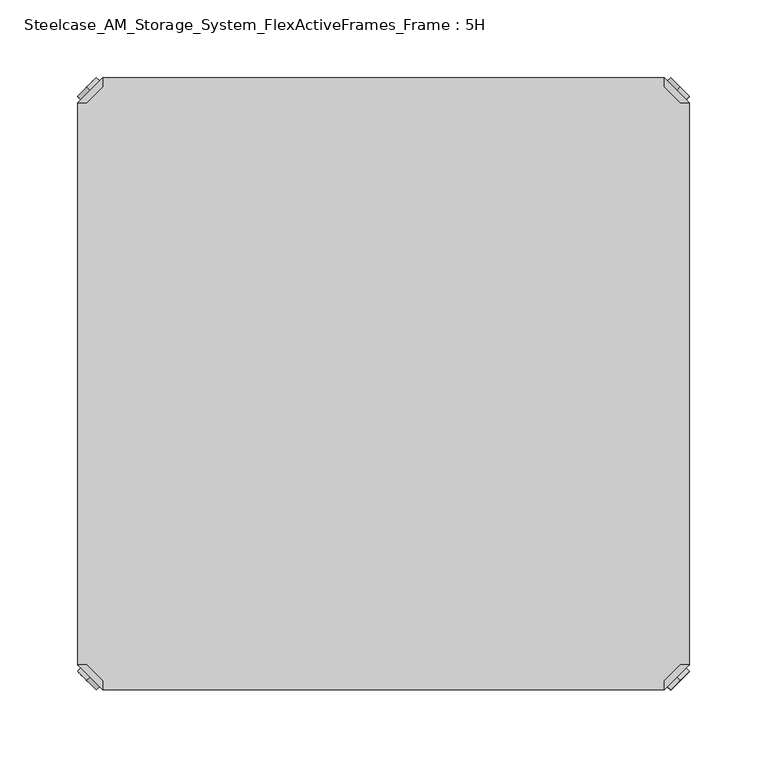
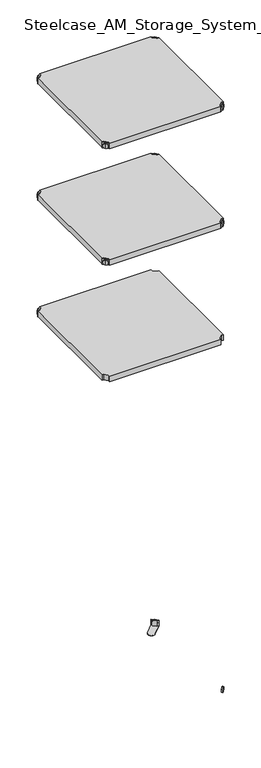
"""IFC4 building model written with IfcOpenShell, lengths in millimetres: furniture geometry, Steelcase_AM_Storage_System_FlexActiveFrames_Frame : 5H."""

from ifc_helpers import new_model, si_unit, frame, origin, place, context, project, spatial, polyline, circle_curve, outline, extrude, source, transform, mapped, element, save
from ifc_brep_helpers import plane_surface, cylinder_surface, advanced_brep


def steelcase_am_storage_system_flexactiveframes_frame_5h_2bd982bd(model_context):
    return source(origin(), model_context, "Body", "SolidModel", [
        advanced_brep(
        [(10.9601551, -10.9601551, 1298.5), (10.9601551, -10.9601551, 1315.5), (10.9601551, -10.9601551, 1307.0), (8.8388348, -8.8388348, 1298.5), (8.8388348, -8.8388348, 1315.5), (8.8388348, -8.8388348, 1307.0)],
        [
            (0, 1, circle_curve(frame((10.9601551, -10.9601551, 1307.0), z_axis=(0.7071067811865464, -0.7071067811865487, 0.0), x_axis=(0.0, 0.0, 1.0)), 8.5)),
            (1, 2),
            (2, 0),
            (1, 0, circle_curve(frame((10.9601551, -10.9601551, 1307.0), z_axis=(0.7071067811865464, -0.7071067811865487, 0.0), x_axis=(0.0, 0.0, 1.0)), 8.5)),
            (3, 4, circle_curve(frame((8.8388348, -8.8388348, 1307.0), z_axis=(0.7071067811865464, -0.7071067811865487, 0.0), x_axis=(0.0, 0.0, 1.0)), 8.5)),
            (4, 1),
            (0, 3),
            (4, 3, circle_curve(frame((8.8388348, -8.8388348, 1307.0), z_axis=(0.7071067811865464, -0.7071067811865487, 0.0), x_axis=(0.0, 0.0, 1.0)), 8.5)),
            (5, 4),
            (3, 5),
        ],
        [
            plane_surface(frame((10.9601551, -10.9601551, 1307.0), z_axis=(0.707106781186546, -0.7071067811865491, 0.0), x_axis=(0.0, 0.0, 1.0))),
            cylinder_surface(frame((8.8388348, -8.8388348, 1307.0), z_axis=(-0.7071067811865464, 0.7071067811865487, 0.0), x_axis=(0.0, 0.0, 1.0)), 8.5),
            plane_surface(frame((8.8388348, -8.8388348, 1307.0), z_axis=(-0.707106781186546, 0.7071067811865491, 0.0), x_axis=(0.0, 0.0, 1.0))),
        ],
        [
            (0, [[1, 2, 3]]),
            (0, [[4, -3, -2]]),
            (1, [[5, 6, -1, 7]]),
            (1, [[8, -7, -4, -6]]),
            (2, [[9, -5, 10]]),
            (2, [[-10, -8, -9]]),
        ],
    ),
        advanced_brep(
        [(18.9203102, -3.0, 1317.0), (3.0, -18.9203102, 1317.0), (8.6568542, -18.9203102, 1317.0), (18.9203102, -8.6568542, 1317.0), (18.9203102, -3.0, 1298.0), (18.9203102, -3.0, 1297.0), (3.0, -18.9203102, 1297.0), (3.0, -18.9203102, 1298.0), (8.6568542, -18.9203102, 1298.0), (18.9203102, -8.6568542, 1298.0), (31.8093975, -47.7297077, 1298.0), (47.7297077, -31.8093975, 1298.0), (47.7297077, -31.8093975, 1297.0), (31.8093975, -47.7297077, 1297.0)],
        [
            (0, 1),
            (1, 2),
            (2, 3),
            (3, 0),
            (0, 4),
            (4, 5),
            (5, 6),
            (6, 7),
            (7, 1),
            (2, 8),
            (8, 9),
            (9, 3),
            (9, 4),
            (7, 8),
            (7, 10),
            (10, 11, circle_curve(frame((39.7695526, -39.7695526, 1298.0), z_axis=(0.0, 0.0, 1.0), x_axis=(1.0, 0.0, 0.0)), 11.2573593)),
            (11, 4),
            (5, 12),
            (12, 13, circle_curve(frame((39.7695526, -39.7695526, 1297.0), z_axis=(0.0, 0.0, -1.0), x_axis=(1.0, 0.0, 0.0)), 11.2573593)),
            (13, 6),
            (13, 10),
            (12, 11),
        ],
        [
            plane_surface(frame((-38.8756299, -60.7959401, 1317.0), z_axis=(0.0, 0.0, 1.0000000000000002), x_axis=(-0.7071067811865557, -0.7071067811865395, 0.0))),
            plane_surface(frame((18.9203102, -3.0, 1317.0), z_axis=(-0.7071067811865395, 0.7071067811865557, 0.0), x_axis=(0.0, 0.0, -1.0))),
            plane_surface(frame((8.6568542, -18.9203102, 1317.0), z_axis=(0.7071067811865481, -0.7071067811865469, 0.0), x_axis=(0.0, 0.0, -1.0))),
            plane_surface(frame((18.9203102, -8.6568542, 1317.0), z_axis=(1.0, 0.0, 0.0), x_axis=(0.0, 0.0, -1.0))),
            plane_surface(frame((3.0, -18.9203102, 1317.0), z_axis=(0.0, -1.0, 0.0), x_axis=(0.0, 0.0, -1.0))),
            plane_surface(frame((3.0, -18.9203102, 1298.0), z_axis=(0.0, 0.0, 1.0), x_axis=(-0.7071067811865485, -0.7071067811865466, 0.0))),
            plane_surface(frame((3.0, -18.9203102, 1297.0), z_axis=(0.0, 0.0, -1.0), x_axis=(0.7071067811865485, 0.7071067811865466, 0.0))),
            plane_surface(frame((3.0, -18.9203102, 1298.0), z_axis=(-0.7071067811865491, -0.707106781186546, 0.0), x_axis=(0.0, 0.0, -1.0))),
            cylinder_surface(frame((39.7695526, -39.7695526, 1297.0), z_axis=(0.0, 0.0, 1.0), x_axis=(1.0, 0.0, 0.0)), 11.2573593),
            plane_surface(frame((47.7297077, -31.8093975, 1298.0), z_axis=(0.707106781186548, 0.7071067811865471, 0.0), x_axis=(0.0, 0.0, -1.0))),
        ],
        [
            (0, [[1, 2, 3, 4]]),
            (1, [[-1, 5, 6, 7, 8, 9]]),
            (2, [[-3, 10, 11, 12]]),
            (3, [[-4, -12, 13, -5]]),
            (4, [[-2, -9, 14, -10]]),
            (5, [[15, 16, 17, -13, -11, -14]]),
            (6, [[18, 19, 20, -7]]),
            (7, [[-15, -8, -20, 21]]),
            (8, [[-16, -21, -19, 22]]),
            (9, [[-17, -22, -18, -6]]),
        ],
    ),
        extrude(outline(polyline([(381.0796898, -3.0), (381.0796898, -8.6568542), (391.3431458, -18.9203102), (397.0, -18.9203102), (397.0, -381.0796898), (391.3431458, -381.0796898), (381.0796898, -391.3431458), (381.0796898, -397.0), (18.9203102, -397.0), (18.9203102, -391.3431458), (8.6568542, -381.0796898), (3.0, -381.0796898), (3.0, -18.9203102), (8.6568542, -18.9203102), (18.9203102, -8.6568542), (18.9203102, -3.0), (381.0796898, -3.0)])), frame((0.0, 0.0, 1298.0), z_axis=(0.0, 0.0, 1.0), x_axis=(1.0, 0.0, 0.0)), (0.0, 0.0, 1.0), 19.0),
        advanced_brep(
        [(389.0398449, -10.9601551, 1698.5), (389.0398449, -10.9601551, 1707.0), (389.0398449, -10.9601551, 1715.5), (391.1611652, -8.8388348, 1698.5), (391.1611652, -8.8388348, 1715.5), (391.1611652, -8.8388348, 1707.0)],
        [
            (0, 1),
            (1, 2),
            (2, 0, circle_curve(frame((389.0398449, -10.9601551, 1707.0), z_axis=(-0.7071067811865556, -0.7071067811865395, 0.0), x_axis=(0.0, 0.0, 1.0)), 8.5)),
            (0, 2, circle_curve(frame((389.0398449, -10.9601551, 1707.0), z_axis=(-0.7071067811865556, -0.7071067811865395, 0.0), x_axis=(0.0, 0.0, 1.0)), 8.5)),
            (3, 0),
            (2, 4),
            (4, 3, circle_curve(frame((391.1611652, -8.8388348, 1707.0), z_axis=(-0.7071067811865556, -0.7071067811865395, 0.0), x_axis=(0.0, 0.0, 1.0)), 8.5)),
            (3, 4, circle_curve(frame((391.1611652, -8.8388348, 1707.0), z_axis=(-0.7071067811865556, -0.7071067811865395, 0.0), x_axis=(0.0, 0.0, 1.0)), 8.5)),
            (5, 3),
            (4, 5),
        ],
        [
            plane_surface(frame((389.0398449, -10.9601551, 1707.0), z_axis=(-0.7071067811865552, -0.7071067811865399, 0.0), x_axis=(0.0, 0.0, 1.0))),
            cylinder_surface(frame((391.1611652, -8.8388348, 1707.0), z_axis=(0.7071067811865556, 0.7071067811865395, 0.0), x_axis=(0.0, 0.0, 1.0)), 8.5),
            plane_surface(frame((391.1611652, -8.8388348, 1707.0), z_axis=(0.7071067811865552, 0.7071067811865399, 0.0), x_axis=(0.0, 0.0, 1.0))),
        ],
        [
            (0, [[1, 2, 3]]),
            (0, [[-2, -1, 4]]),
            (1, [[5, -3, 6, 7]]),
            (1, [[-6, -4, -5, 8]]),
            (2, [[9, -7, 10]]),
            (2, [[-10, -8, -9]]),
        ],
    ),
        advanced_brep(
        [(381.0796898, -3.0, 1717.0), (381.0796898, -8.6568542, 1717.0), (391.3431458, -18.9203102, 1717.0), (397.0, -18.9203102, 1717.0), (397.0, -18.9203102, 1698.0), (397.0, -18.9203102, 1697.0), (381.0796898, -3.0, 1697.0), (381.0796898, -3.0, 1698.0), (381.0796898, -8.6568542, 1698.0), (391.3431458, -18.9203102, 1698.0), (352.2702923, -31.8093975, 1698.0), (368.1906025, -47.7297077, 1698.0), (368.1906025, -47.7297077, 1697.0), (352.2702923, -31.8093975, 1697.0)],
        [
            (0, 1),
            (1, 2),
            (2, 3),
            (3, 0),
            (3, 4),
            (4, 5),
            (5, 6),
            (6, 7),
            (7, 0),
            (1, 8),
            (8, 9),
            (9, 2),
            (7, 8),
            (9, 4),
            (7, 10),
            (10, 11, circle_curve(frame((360.2304474, -39.7695526, 1698.0), z_axis=(0.0, 0.0, 1.0), x_axis=(-1.0, 0.0, 0.0)), 11.2573593)),
            (11, 4),
            (5, 12),
            (12, 13, circle_curve(frame((360.2304474, -39.7695526, 1697.0), z_axis=(0.0, 0.0, -1.0), x_axis=(-1.0, 0.0, 0.0)), 11.2573593)),
            (13, 6),
            (11, 12),
            (10, 13),
        ],
        [
            plane_surface(frame((438.8756299, -60.7959401, 1717.0), z_axis=(0.0, 0.0, 1.0000000000000002), x_axis=(0.7071067811865465, -0.7071067811865487, 0.0))),
            plane_surface(frame((381.0796898, -3.0, 1717.0), z_axis=(0.7071067811865487, 0.7071067811865465, 0.0), x_axis=(0.0, 0.0, -1.0))),
            plane_surface(frame((391.3431458, -18.9203102, 1717.0), z_axis=(-0.7071067811865573, -0.7071067811865377, 0.0), x_axis=(0.0, 0.0, -1.0))),
            plane_surface(frame((381.0796898, -8.6568542, 1717.0), z_axis=(-1.0, 0.0, 0.0), x_axis=(0.0, 0.0, -1.0))),
            plane_surface(frame((397.0, -18.9203102, 1717.0), z_axis=(0.0, -1.0, 0.0), x_axis=(0.0, 0.0, -1.0))),
            plane_surface(frame((397.0, -18.9203102, 1698.0), z_axis=(0.0, 0.0, 1.0), x_axis=(0.7071067811865392, -0.7071067811865558, 0.0))),
            plane_surface(frame((397.0, -18.9203102, 1697.0), z_axis=(0.0, 0.0, -1.0), x_axis=(-0.7071067811865392, 0.7071067811865558, 0.0))),
            plane_surface(frame((397.0, -18.9203102, 1698.0), z_axis=(0.7071067811865399, -0.7071067811865552, 0.0), x_axis=(0.0, 0.0, -1.0))),
            cylinder_surface(frame((360.2304474, -39.7695526, 1697.0), z_axis=(0.0, 0.0, 1.0), x_axis=(-1.0, 0.0, 0.0)), 11.2573593),
            plane_surface(frame((352.2702923, -31.8093975, 1698.0), z_axis=(-0.7071067811865388, 0.7071067811865563, 0.0), x_axis=(0.0, 0.0, -1.0))),
        ],
        [
            (0, [[1, 2, 3, 4]]),
            (1, [[5, 6, 7, 8, 9, -4]]),
            (2, [[10, 11, 12, -2]]),
            (3, [[-9, 13, -10, -1]]),
            (4, [[-12, 14, -5, -3]]),
            (5, [[-14, -11, -13, 15, 16, 17]]),
            (6, [[-7, 18, 19, 20]]),
            (7, [[21, -18, -6, -17]]),
            (8, [[22, -19, -21, -16]]),
            (9, [[-8, -20, -22, -15]]),
        ],
    ),
        advanced_brep(
        [(389.0398449, -389.0398449, 1698.5), (389.0398449, -389.0398449, 1715.5), (389.0398449, -389.0398449, 1707.0), (391.1611652, -391.1611652, 1698.5), (391.1611652, -391.1611652, 1715.5), (391.1611652, -391.1611652, 1707.0)],
        [
            (0, 1, circle_curve(frame((389.0398449, -389.0398449, 1707.0), z_axis=(-0.7071067811865509, 0.7071067811865441, 0.0), x_axis=(0.0, 0.0, 1.0)), 8.5)),
            (1, 2),
            (2, 0),
            (1, 0, circle_curve(frame((389.0398449, -389.0398449, 1707.0), z_axis=(-0.7071067811865509, 0.7071067811865441, 0.0), x_axis=(0.0, 0.0, 1.0)), 8.5)),
            (3, 4, circle_curve(frame((391.1611652, -391.1611652, 1707.0), z_axis=(-0.7071067811865509, 0.7071067811865441, 0.0), x_axis=(0.0, 0.0, 1.0)), 8.5)),
            (4, 1),
            (0, 3),
            (4, 3, circle_curve(frame((391.1611652, -391.1611652, 1707.0), z_axis=(-0.7071067811865509, 0.7071067811865441, 0.0), x_axis=(0.0, 0.0, 1.0)), 8.5)),
            (5, 4),
            (3, 5),
        ],
        [
            plane_surface(frame((389.0398449, -389.0398449, 1707.0), z_axis=(-0.7071067811865506, 0.7071067811865446, 0.0), x_axis=(0.0, 0.0, 1.0))),
            cylinder_surface(frame((391.1611652, -391.1611652, 1707.0), z_axis=(0.7071067811865509, -0.7071067811865441, 0.0), x_axis=(0.0, 0.0, 1.0)), 8.5),
            plane_surface(frame((391.1611652, -391.1611652, 1707.0), z_axis=(0.7071067811865506, -0.7071067811865446, 0.0), x_axis=(0.0, 0.0, 1.0))),
        ],
        [
            (0, [[1, 2, 3]]),
            (0, [[4, -3, -2]]),
            (1, [[5, 6, -1, 7]]),
            (1, [[8, -7, -4, -6]]),
            (2, [[9, -5, 10]]),
            (2, [[-10, -8, -9]]),
        ],
    ),
        advanced_brep(
        [(381.0796898, -397.0, 1717.0), (397.0, -381.0796898, 1717.0), (391.3431458, -381.0796898, 1717.0), (381.0796898, -391.3431458, 1717.0), (381.0796898, -397.0, 1698.0), (381.0796898, -397.0, 1697.0), (397.0, -381.0796898, 1697.0), (397.0, -381.0796898, 1698.0), (391.3431458, -381.0796898, 1698.0), (381.0796898, -391.3431458, 1698.0), (368.1906025, -352.2702923, 1698.0), (352.2702923, -368.1906025, 1698.0), (352.2702923, -368.1906025, 1697.0), (368.1906025, -352.2702923, 1697.0)],
        [
            (0, 1),
            (1, 2),
            (2, 3),
            (3, 0),
            (0, 4),
            (4, 5),
            (5, 6),
            (6, 7),
            (7, 1),
            (2, 8),
            (8, 9),
            (9, 3),
            (9, 4),
            (7, 8),
            (7, 10),
            (10, 11, circle_curve(frame((360.2304474, -360.2304474, 1698.0), z_axis=(0.0, 0.0, 1.0), x_axis=(-1.0, 0.0, 0.0)), 11.2573593)),
            (11, 4),
            (5, 12),
            (12, 13, circle_curve(frame((360.2304474, -360.2304474, 1697.0), z_axis=(0.0, 0.0, -1.0), x_axis=(-1.0, 0.0, 0.0)), 11.2573593)),
            (13, 6),
            (13, 10),
            (12, 11),
        ],
        [
            plane_surface(frame((438.8756299, -339.2040599, 1717.0), z_axis=(0.0, 0.0, 1.0000000000000002), x_axis=(0.7071067811865511, 0.707106781186544, 0.0))),
            plane_surface(frame((381.0796898, -397.0, 1717.0), z_axis=(0.707106781186544, -0.7071067811865511, 0.0), x_axis=(0.0, 0.0, -1.0))),
            plane_surface(frame((391.3431458, -381.0796898, 1717.0), z_axis=(-0.7071067811865527, 0.7071067811865424, 0.0), x_axis=(0.0, 0.0, -1.0))),
            plane_surface(frame((381.0796898, -391.3431458, 1717.0), z_axis=(-1.0, 0.0, 0.0), x_axis=(0.0, 0.0, -1.0))),
            plane_surface(frame((397.0, -381.0796898, 1717.0), z_axis=(0.0, 1.0, 0.0), x_axis=(0.0, 0.0, -1.0))),
            plane_surface(frame((397.0, -381.0796898, 1698.0), z_axis=(0.0, 0.0, 1.0), x_axis=(0.7071067811865439, 0.7071067811865511, 0.0))),
            plane_surface(frame((397.0, -381.0796898, 1697.0), z_axis=(0.0, 0.0, -1.0), x_axis=(-0.7071067811865439, -0.7071067811865511, 0.0))),
            plane_surface(frame((397.0, -381.0796898, 1698.0), z_axis=(0.7071067811865446, 0.7071067811865506, 0.0), x_axis=(0.0, 0.0, -1.0))),
            cylinder_surface(frame((360.2304474, -360.2304474, 1697.0), z_axis=(0.0, 0.0, 1.0), x_axis=(-1.0, 0.0, 0.0)), 11.2573593),
            plane_surface(frame((352.2702923, -368.1906025, 1698.0), z_axis=(-0.7071067811865435, -0.7071067811865517, 0.0), x_axis=(0.0, 0.0, -1.0))),
        ],
        [
            (0, [[1, 2, 3, 4]]),
            (1, [[-1, 5, 6, 7, 8, 9]]),
            (2, [[-3, 10, 11, 12]]),
            (3, [[-4, -12, 13, -5]]),
            (4, [[-2, -9, 14, -10]]),
            (5, [[15, 16, 17, -13, -11, -14]]),
            (6, [[18, 19, 20, -7]]),
            (7, [[-15, -8, -20, 21]]),
            (8, [[-16, -21, -19, 22]]),
            (9, [[-17, -22, -18, -6]]),
        ],
    ),
        advanced_brep(
        [(10.9601551, -389.0398449, 1698.5), (10.9601551, -389.0398449, 1707.0), (10.9601551, -389.0398449, 1715.5), (8.8388348, -391.1611652, 1698.5), (8.8388348, -391.1611652, 1715.5), (8.8388348, -391.1611652, 1707.0)],
        [
            (0, 1),
            (1, 2),
            (2, 0, circle_curve(frame((10.9601551, -389.0398449, 1707.0), z_axis=(0.7071067811865509, 0.7071067811865441, 0.0), x_axis=(0.0, 0.0, 1.0)), 8.5)),
            (0, 2, circle_curve(frame((10.9601551, -389.0398449, 1707.0), z_axis=(0.7071067811865509, 0.7071067811865441, 0.0), x_axis=(0.0, 0.0, 1.0)), 8.5)),
            (3, 0),
            (2, 4),
            (4, 3, circle_curve(frame((8.8388348, -391.1611652, 1707.0), z_axis=(0.7071067811865509, 0.7071067811865441, 0.0), x_axis=(0.0, 0.0, 1.0)), 8.5)),
            (3, 4, circle_curve(frame((8.8388348, -391.1611652, 1707.0), z_axis=(0.7071067811865509, 0.7071067811865441, 0.0), x_axis=(0.0, 0.0, 1.0)), 8.5)),
            (5, 3),
            (4, 5),
        ],
        [
            plane_surface(frame((10.9601551, -389.0398449, 1707.0), z_axis=(0.7071067811865506, 0.7071067811865446, 0.0), x_axis=(0.0, 0.0, 1.0))),
            cylinder_surface(frame((8.8388348, -391.1611652, 1707.0), z_axis=(-0.7071067811865509, -0.7071067811865441, 0.0), x_axis=(0.0, 0.0, 1.0)), 8.5),
            plane_surface(frame((8.8388348, -391.1611652, 1707.0), z_axis=(-0.7071067811865506, -0.7071067811865446, 0.0), x_axis=(0.0, 0.0, 1.0))),
        ],
        [
            (0, [[1, 2, 3]]),
            (0, [[-2, -1, 4]]),
            (1, [[5, -3, 6, 7]]),
            (1, [[-6, -4, -5, 8]]),
            (2, [[9, -7, 10]]),
            (2, [[-10, -8, -9]]),
        ],
    ),
        advanced_brep(
        [(18.9203102, -397.0, 1717.0), (18.9203102, -391.3431458, 1717.0), (8.6568542, -381.0796898, 1717.0), (3.0, -381.0796898, 1717.0), (3.0, -381.0796898, 1698.0), (3.0, -381.0796898, 1697.0), (18.9203102, -397.0, 1697.0), (18.9203102, -397.0, 1698.0), (18.9203102, -391.3431458, 1698.0), (8.6568542, -381.0796898, 1698.0), (47.7297077, -368.1906025, 1698.0), (31.8093975, -352.2702923, 1698.0), (31.8093975, -352.2702923, 1697.0), (47.7297077, -368.1906025, 1697.0)],
        [
            (0, 1),
            (1, 2),
            (2, 3),
            (3, 0),
            (3, 4),
            (4, 5),
            (5, 6),
            (6, 7),
            (7, 0),
            (1, 8),
            (8, 9),
            (9, 2),
            (7, 8),
            (9, 4),
            (7, 10),
            (10, 11, circle_curve(frame((39.7695526, -360.2304474, 1698.0), z_axis=(0.0, 0.0, 1.0), x_axis=(1.0, 0.0, 0.0)), 11.2573593)),
            (11, 4),
            (5, 12),
            (12, 13, circle_curve(frame((39.7695526, -360.2304474, 1697.0), z_axis=(0.0, 0.0, -1.0), x_axis=(1.0, 0.0, 0.0)), 11.2573593)),
            (13, 6),
            (11, 12),
            (10, 13),
        ],
        [
            plane_surface(frame((-38.8756299, -339.2040599, 1717.0), z_axis=(0.0, 0.0, 1.0000000000000002), x_axis=(-0.7071067811865511, 0.707106781186544, 0.0))),
            plane_surface(frame((18.9203102, -397.0, 1717.0), z_axis=(-0.707106781186544, -0.7071067811865511, 0.0), x_axis=(0.0, 0.0, -1.0))),
            plane_surface(frame((8.6568542, -381.0796898, 1717.0), z_axis=(0.7071067811865527, 0.7071067811865424, 0.0), x_axis=(0.0, 0.0, -1.0))),
            plane_surface(frame((18.9203102, -391.3431458, 1717.0), z_axis=(1.0, 0.0, 0.0), x_axis=(0.0, 0.0, -1.0))),
            plane_surface(frame((3.0, -381.0796898, 1717.0), z_axis=(0.0, 1.0, 0.0), x_axis=(0.0, 0.0, -1.0))),
            plane_surface(frame((3.0, -381.0796898, 1698.0), z_axis=(0.0, 0.0, 1.0), x_axis=(-0.7071067811865439, 0.7071067811865511, 0.0))),
            plane_surface(frame((3.0, -381.0796898, 1697.0), z_axis=(0.0, 0.0, -1.0), x_axis=(0.7071067811865439, -0.7071067811865511, 0.0))),
            plane_surface(frame((3.0, -381.0796898, 1698.0), z_axis=(-0.7071067811865446, 0.7071067811865506, 0.0), x_axis=(0.0, 0.0, -1.0))),
            cylinder_surface(frame((39.7695526, -360.2304474, 1697.0), z_axis=(0.0, 0.0, 1.0), x_axis=(1.0, 0.0, 0.0)), 11.2573593),
            plane_surface(frame((47.7297077, -368.1906025, 1698.0), z_axis=(0.7071067811865435, -0.7071067811865517, 0.0), x_axis=(0.0, 0.0, -1.0))),
        ],
        [
            (0, [[1, 2, 3, 4]]),
            (1, [[5, 6, 7, 8, 9, -4]]),
            (2, [[10, 11, 12, -2]]),
            (3, [[-9, 13, -10, -1]]),
            (4, [[-12, 14, -5, -3]]),
            (5, [[-14, -11, -13, 15, 16, 17]]),
            (6, [[-7, 18, 19, 20]]),
            (7, [[21, -18, -6, -17]]),
            (8, [[22, -19, -21, -16]]),
            (9, [[-8, -20, -22, -15]]),
        ],
    ),
        advanced_brep(
        [(10.9601551, -10.9601551, 1698.5), (10.9601551, -10.9601551, 1715.5), (10.9601551, -10.9601551, 1707.0), (8.8388348, -8.8388348, 1698.5), (8.8388348, -8.8388348, 1715.5), (8.8388348, -8.8388348, 1707.0)],
        [
            (0, 1, circle_curve(frame((10.9601551, -10.9601551, 1707.0), z_axis=(0.7071067811865464, -0.7071067811865487, 0.0), x_axis=(0.0, 0.0, 1.0)), 8.5)),
            (1, 2),
            (2, 0),
            (1, 0, circle_curve(frame((10.9601551, -10.9601551, 1707.0), z_axis=(0.7071067811865464, -0.7071067811865487, 0.0), x_axis=(0.0, 0.0, 1.0)), 8.5)),
            (3, 4, circle_curve(frame((8.8388348, -8.8388348, 1707.0), z_axis=(0.7071067811865464, -0.7071067811865487, 0.0), x_axis=(0.0, 0.0, 1.0)), 8.5)),
            (4, 1),
            (0, 3),
            (4, 3, circle_curve(frame((8.8388348, -8.8388348, 1707.0), z_axis=(0.7071067811865464, -0.7071067811865487, 0.0), x_axis=(0.0, 0.0, 1.0)), 8.5)),
            (5, 4),
            (3, 5),
        ],
        [
            plane_surface(frame((10.9601551, -10.9601551, 1707.0), z_axis=(0.707106781186546, -0.7071067811865491, 0.0), x_axis=(0.0, 0.0, 1.0))),
            cylinder_surface(frame((8.8388348, -8.8388348, 1707.0), z_axis=(-0.7071067811865464, 0.7071067811865487, 0.0), x_axis=(0.0, 0.0, 1.0)), 8.5),
            plane_surface(frame((8.8388348, -8.8388348, 1707.0), z_axis=(-0.707106781186546, 0.7071067811865491, 0.0), x_axis=(0.0, 0.0, 1.0))),
        ],
        [
            (0, [[1, 2, 3]]),
            (0, [[4, -3, -2]]),
            (1, [[5, 6, -1, 7]]),
            (1, [[8, -7, -4, -6]]),
            (2, [[9, -5, 10]]),
            (2, [[-10, -8, -9]]),
        ],
    ),
        advanced_brep(
        [(18.9203102, -3.0, 1717.0), (3.0, -18.9203102, 1717.0), (8.6568542, -18.9203102, 1717.0), (18.9203102, -8.6568542, 1717.0), (18.9203102, -3.0, 1698.0), (18.9203102, -3.0, 1697.0), (3.0, -18.9203102, 1697.0), (3.0, -18.9203102, 1698.0), (8.6568542, -18.9203102, 1698.0), (18.9203102, -8.6568542, 1698.0), (31.8093975, -47.7297077, 1698.0), (47.7297077, -31.8093975, 1698.0), (47.7297077, -31.8093975, 1697.0), (31.8093975, -47.7297077, 1697.0)],
        [
            (0, 1),
            (1, 2),
            (2, 3),
            (3, 0),
            (0, 4),
            (4, 5),
            (5, 6),
            (6, 7),
            (7, 1),
            (2, 8),
            (8, 9),
            (9, 3),
            (9, 4),
            (7, 8),
            (7, 10),
            (10, 11, circle_curve(frame((39.7695526, -39.7695526, 1698.0), z_axis=(0.0, 0.0, 1.0), x_axis=(1.0, 0.0, 0.0)), 11.2573593)),
            (11, 4),
            (5, 12),
            (12, 13, circle_curve(frame((39.7695526, -39.7695526, 1697.0), z_axis=(0.0, 0.0, -1.0), x_axis=(1.0, 0.0, 0.0)), 11.2573593)),
            (13, 6),
            (13, 10),
            (12, 11),
        ],
        [
            plane_surface(frame((-38.8756299, -60.7959401, 1717.0), z_axis=(0.0, 0.0, 1.0000000000000002), x_axis=(-0.7071067811865557, -0.7071067811865395, 0.0))),
            plane_surface(frame((18.9203102, -3.0, 1717.0), z_axis=(-0.7071067811865395, 0.7071067811865557, 0.0), x_axis=(0.0, 0.0, -1.0))),
            plane_surface(frame((8.6568542, -18.9203102, 1717.0), z_axis=(0.7071067811865481, -0.7071067811865469, 0.0), x_axis=(0.0, 0.0, -1.0))),
            plane_surface(frame((18.9203102, -8.6568542, 1717.0), z_axis=(1.0, 0.0, 0.0), x_axis=(0.0, 0.0, -1.0))),
            plane_surface(frame((3.0, -18.9203102, 1717.0), z_axis=(0.0, -1.0, 0.0), x_axis=(0.0, 0.0, -1.0))),
            plane_surface(frame((3.0, -18.9203102, 1698.0), z_axis=(0.0, 0.0, 1.0), x_axis=(-0.7071067811865485, -0.7071067811865466, 0.0))),
            plane_surface(frame((3.0, -18.9203102, 1697.0), z_axis=(0.0, 0.0, -1.0), x_axis=(0.7071067811865485, 0.7071067811865466, 0.0))),
            plane_surface(frame((3.0, -18.9203102, 1698.0), z_axis=(-0.7071067811865491, -0.707106781186546, 0.0), x_axis=(0.0, 0.0, -1.0))),
            cylinder_surface(frame((39.7695526, -39.7695526, 1697.0), z_axis=(0.0, 0.0, 1.0), x_axis=(1.0, 0.0, 0.0)), 11.2573593),
            plane_surface(frame((47.7297077, -31.8093975, 1698.0), z_axis=(0.707106781186548, 0.7071067811865471, 0.0), x_axis=(0.0, 0.0, -1.0))),
        ],
        [
            (0, [[1, 2, 3, 4]]),
            (1, [[-1, 5, 6, 7, 8, 9]]),
            (2, [[-3, 10, 11, 12]]),
            (3, [[-4, -12, 13, -5]]),
            (4, [[-2, -9, 14, -10]]),
            (5, [[15, 16, 17, -13, -11, -14]]),
            (6, [[18, 19, 20, -7]]),
            (7, [[-15, -8, -20, 21]]),
            (8, [[-16, -21, -19, 22]]),
            (9, [[-17, -22, -18, -6]]),
        ],
    ),
        extrude(outline(polyline([(381.0796898, -3.0), (381.0796898, -8.6568542), (391.3431458, -18.9203102), (397.0, -18.9203102), (397.0, -381.0796898), (391.3431458, -381.0796898), (381.0796898, -391.3431458), (381.0796898, -397.0), (18.9203102, -397.0), (18.9203102, -391.3431458), (8.6568542, -381.0796898), (3.0, -381.0796898), (3.0, -18.9203102), (8.6568542, -18.9203102), (18.9203102, -8.6568542), (18.9203102, -3.0), (381.0796898, -3.0)])), frame((0.0, 0.0, 1698.0), z_axis=(0.0, 0.0, 1.0), x_axis=(1.0, 0.0, 0.0)), (0.0, 0.0, 1.0), 19.0),
        advanced_brep(
        [(389.0398449, -10.9601551, 2098.5), (389.0398449, -10.9601551, 2107.0), (389.0398449, -10.9601551, 2115.5), (391.1611652, -8.8388348, 2098.5), (391.1611652, -8.8388348, 2115.5), (391.1611652, -8.8388348, 2107.0)],
        [
            (0, 1),
            (1, 2),
            (2, 0, circle_curve(frame((389.0398449, -10.9601551, 2107.0), z_axis=(-0.7071067811865556, -0.7071067811865395, 0.0), x_axis=(0.0, 0.0, 1.0)), 8.5)),
            (0, 2, circle_curve(frame((389.0398449, -10.9601551, 2107.0), z_axis=(-0.7071067811865556, -0.7071067811865395, 0.0), x_axis=(0.0, 0.0, 1.0)), 8.5)),
            (3, 0),
            (2, 4),
            (4, 3, circle_curve(frame((391.1611652, -8.8388348, 2107.0), z_axis=(-0.7071067811865556, -0.7071067811865395, 0.0), x_axis=(0.0, 0.0, 1.0)), 8.5)),
            (3, 4, circle_curve(frame((391.1611652, -8.8388348, 2107.0), z_axis=(-0.7071067811865556, -0.7071067811865395, 0.0), x_axis=(0.0, 0.0, 1.0)), 8.5)),
            (5, 3),
            (4, 5),
        ],
        [
            plane_surface(frame((389.0398449, -10.9601551, 2107.0), z_axis=(-0.7071067811865552, -0.7071067811865399, 0.0), x_axis=(0.0, 0.0, 1.0))),
            cylinder_surface(frame((391.1611652, -8.8388348, 2107.0), z_axis=(0.7071067811865556, 0.7071067811865395, 0.0), x_axis=(0.0, 0.0, 1.0)), 8.5),
            plane_surface(frame((391.1611652, -8.8388348, 2107.0), z_axis=(0.7071067811865552, 0.7071067811865399, 0.0), x_axis=(0.0, 0.0, 1.0))),
        ],
        [
            (0, [[1, 2, 3]]),
            (0, [[-2, -1, 4]]),
            (1, [[5, -3, 6, 7]]),
            (1, [[-6, -4, -5, 8]]),
            (2, [[9, -7, 10]]),
            (2, [[-10, -8, -9]]),
        ],
    ),
        advanced_brep(
        [(381.0796898, -3.0, 2117.0), (381.0796898, -8.6568542, 2117.0), (391.3431458, -18.9203102, 2117.0), (397.0, -18.9203102, 2117.0), (397.0, -18.9203102, 2098.0), (397.0, -18.9203102, 2097.0), (381.0796898, -3.0, 2097.0), (381.0796898, -3.0, 2098.0), (381.0796898, -8.6568542, 2098.0), (391.3431458, -18.9203102, 2098.0), (352.2702923, -31.8093975, 2098.0), (368.1906025, -47.7297077, 2098.0), (368.1906025, -47.7297077, 2097.0), (352.2702923, -31.8093975, 2097.0)],
        [
            (0, 1),
            (1, 2),
            (2, 3),
            (3, 0),
            (3, 4),
            (4, 5),
            (5, 6),
            (6, 7),
            (7, 0),
            (1, 8),
            (8, 9),
            (9, 2),
            (7, 8),
            (9, 4),
            (7, 10),
            (10, 11, circle_curve(frame((360.2304474, -39.7695526, 2098.0), z_axis=(0.0, 0.0, 1.0), x_axis=(-1.0, 0.0, 0.0)), 11.2573593)),
            (11, 4),
            (5, 12),
            (12, 13, circle_curve(frame((360.2304474, -39.7695526, 2097.0), z_axis=(0.0, 0.0, -1.0), x_axis=(-1.0, 0.0, 0.0)), 11.2573593)),
            (13, 6),
            (11, 12),
            (10, 13),
        ],
        [
            plane_surface(frame((438.8756299, -60.7959401, 2117.0), z_axis=(0.0, 0.0, 1.0000000000000002), x_axis=(0.7071067811865465, -0.7071067811865487, 0.0))),
            plane_surface(frame((381.0796898, -3.0, 2117.0), z_axis=(0.7071067811865487, 0.7071067811865465, 0.0), x_axis=(0.0, 0.0, -1.0))),
            plane_surface(frame((391.3431458, -18.9203102, 2117.0), z_axis=(-0.7071067811865573, -0.7071067811865377, 0.0), x_axis=(0.0, 0.0, -1.0))),
            plane_surface(frame((381.0796898, -8.6568542, 2117.0), z_axis=(-1.0, 0.0, 0.0), x_axis=(0.0, 0.0, -1.0))),
            plane_surface(frame((397.0, -18.9203102, 2117.0), z_axis=(0.0, -1.0, 0.0), x_axis=(0.0, 0.0, -1.0))),
            plane_surface(frame((397.0, -18.9203102, 2098.0), z_axis=(0.0, 0.0, 1.0), x_axis=(0.7071067811865392, -0.7071067811865558, 0.0))),
            plane_surface(frame((397.0, -18.9203102, 2097.0), z_axis=(0.0, 0.0, -1.0), x_axis=(-0.7071067811865392, 0.7071067811865558, 0.0))),
            plane_surface(frame((397.0, -18.9203102, 2098.0), z_axis=(0.7071067811865399, -0.7071067811865552, 0.0), x_axis=(0.0, 0.0, -1.0))),
            cylinder_surface(frame((360.2304474, -39.7695526, 2097.0), z_axis=(0.0, 0.0, 1.0), x_axis=(-1.0, 0.0, 0.0)), 11.2573593),
            plane_surface(frame((352.2702923, -31.8093975, 2098.0), z_axis=(-0.7071067811865388, 0.7071067811865563, 0.0), x_axis=(0.0, 0.0, -1.0))),
        ],
        [
            (0, [[1, 2, 3, 4]]),
            (1, [[5, 6, 7, 8, 9, -4]]),
            (2, [[10, 11, 12, -2]]),
            (3, [[-9, 13, -10, -1]]),
            (4, [[-12, 14, -5, -3]]),
            (5, [[-14, -11, -13, 15, 16, 17]]),
            (6, [[-7, 18, 19, 20]]),
            (7, [[21, -18, -6, -17]]),
            (8, [[22, -19, -21, -16]]),
            (9, [[-8, -20, -22, -15]]),
        ],
    ),
        advanced_brep(
        [(389.0398449, -389.0398449, 2098.5), (389.0398449, -389.0398449, 2115.5), (389.0398449, -389.0398449, 2107.0), (391.1611652, -391.1611652, 2098.5), (391.1611652, -391.1611652, 2115.5), (391.1611652, -391.1611652, 2107.0)],
        [
            (0, 1, circle_curve(frame((389.0398449, -389.0398449, 2107.0), z_axis=(-0.7071067811865509, 0.7071067811865441, 0.0), x_axis=(0.0, 0.0, 1.0)), 8.5)),
            (1, 2),
            (2, 0),
            (1, 0, circle_curve(frame((389.0398449, -389.0398449, 2107.0), z_axis=(-0.7071067811865509, 0.7071067811865441, 0.0), x_axis=(0.0, 0.0, 1.0)), 8.5)),
            (3, 4, circle_curve(frame((391.1611652, -391.1611652, 2107.0), z_axis=(-0.7071067811865509, 0.7071067811865441, 0.0), x_axis=(0.0, 0.0, 1.0)), 8.5)),
            (4, 1),
            (0, 3),
            (4, 3, circle_curve(frame((391.1611652, -391.1611652, 2107.0), z_axis=(-0.7071067811865509, 0.7071067811865441, 0.0), x_axis=(0.0, 0.0, 1.0)), 8.5)),
            (5, 4),
            (3, 5),
        ],
        [
            plane_surface(frame((389.0398449, -389.0398449, 2107.0), z_axis=(-0.7071067811865506, 0.7071067811865446, 0.0), x_axis=(0.0, 0.0, 1.0))),
            cylinder_surface(frame((391.1611652, -391.1611652, 2107.0), z_axis=(0.7071067811865509, -0.7071067811865441, 0.0), x_axis=(0.0, 0.0, 1.0)), 8.5),
            plane_surface(frame((391.1611652, -391.1611652, 2107.0), z_axis=(0.7071067811865506, -0.7071067811865446, 0.0), x_axis=(0.0, 0.0, 1.0))),
        ],
        [
            (0, [[1, 2, 3]]),
            (0, [[4, -3, -2]]),
            (1, [[5, 6, -1, 7]]),
            (1, [[8, -7, -4, -6]]),
            (2, [[9, -5, 10]]),
            (2, [[-10, -8, -9]]),
        ],
    ),
        advanced_brep(
        [(381.0796898, -397.0, 2117.0), (397.0, -381.0796898, 2117.0), (391.3431458, -381.0796898, 2117.0), (381.0796898, -391.3431458, 2117.0), (381.0796898, -397.0, 2098.0), (381.0796898, -397.0, 2097.0), (397.0, -381.0796898, 2097.0), (397.0, -381.0796898, 2098.0), (391.3431458, -381.0796898, 2098.0), (381.0796898, -391.3431458, 2098.0), (368.1906025, -352.2702923, 2098.0), (352.2702923, -368.1906025, 2098.0), (352.2702923, -368.1906025, 2097.0), (368.1906025, -352.2702923, 2097.0)],
        [
            (0, 1),
            (1, 2),
            (2, 3),
            (3, 0),
            (0, 4),
            (4, 5),
            (5, 6),
            (6, 7),
            (7, 1),
            (2, 8),
            (8, 9),
            (9, 3),
            (9, 4),
            (7, 8),
            (7, 10),
            (10, 11, circle_curve(frame((360.2304474, -360.2304474, 2098.0), z_axis=(0.0, 0.0, 1.0), x_axis=(-1.0, 0.0, 0.0)), 11.2573593)),
            (11, 4),
            (5, 12),
            (12, 13, circle_curve(frame((360.2304474, -360.2304474, 2097.0), z_axis=(0.0, 0.0, -1.0), x_axis=(-1.0, 0.0, 0.0)), 11.2573593)),
            (13, 6),
            (13, 10),
            (12, 11),
        ],
        [
            plane_surface(frame((438.8756299, -339.2040599, 2117.0), z_axis=(0.0, 0.0, 1.0000000000000002), x_axis=(0.7071067811865511, 0.707106781186544, 0.0))),
            plane_surface(frame((381.0796898, -397.0, 2117.0), z_axis=(0.707106781186544, -0.7071067811865511, 0.0), x_axis=(0.0, 0.0, -1.0))),
            plane_surface(frame((391.3431458, -381.0796898, 2117.0), z_axis=(-0.7071067811865527, 0.7071067811865424, 0.0), x_axis=(0.0, 0.0, -1.0))),
            plane_surface(frame((381.0796898, -391.3431458, 2117.0), z_axis=(-1.0, 0.0, 0.0), x_axis=(0.0, 0.0, -1.0))),
            plane_surface(frame((397.0, -381.0796898, 2117.0), z_axis=(0.0, 1.0, 0.0), x_axis=(0.0, 0.0, -1.0))),
            plane_surface(frame((397.0, -381.0796898, 2098.0), z_axis=(0.0, 0.0, 1.0), x_axis=(0.7071067811865439, 0.7071067811865511, 0.0))),
            plane_surface(frame((397.0, -381.0796898, 2097.0), z_axis=(0.0, 0.0, -1.0), x_axis=(-0.7071067811865439, -0.7071067811865511, 0.0))),
            plane_surface(frame((397.0, -381.0796898, 2098.0), z_axis=(0.7071067811865446, 0.7071067811865506, 0.0), x_axis=(0.0, 0.0, -1.0))),
            cylinder_surface(frame((360.2304474, -360.2304474, 2097.0), z_axis=(0.0, 0.0, 1.0), x_axis=(-1.0, 0.0, 0.0)), 11.2573593),
            plane_surface(frame((352.2702923, -368.1906025, 2098.0), z_axis=(-0.7071067811865435, -0.7071067811865517, 0.0), x_axis=(0.0, 0.0, -1.0))),
        ],
        [
            (0, [[1, 2, 3, 4]]),
            (1, [[-1, 5, 6, 7, 8, 9]]),
            (2, [[-3, 10, 11, 12]]),
            (3, [[-4, -12, 13, -5]]),
            (4, [[-2, -9, 14, -10]]),
            (5, [[15, 16, 17, -13, -11, -14]]),
            (6, [[18, 19, 20, -7]]),
            (7, [[-15, -8, -20, 21]]),
            (8, [[-16, -21, -19, 22]]),
            (9, [[-17, -22, -18, -6]]),
        ],
    ),
        advanced_brep(
        [(10.9601551, -389.0398449, 2098.5), (10.9601551, -389.0398449, 2107.0), (10.9601551, -389.0398449, 2115.5), (8.8388348, -391.1611652, 2098.5), (8.8388348, -391.1611652, 2115.5), (8.8388348, -391.1611652, 2107.0)],
        [
            (0, 1),
            (1, 2),
            (2, 0, circle_curve(frame((10.9601551, -389.0398449, 2107.0), z_axis=(0.7071067811865509, 0.7071067811865441, 0.0), x_axis=(0.0, 0.0, 1.0)), 8.5)),
            (0, 2, circle_curve(frame((10.9601551, -389.0398449, 2107.0), z_axis=(0.7071067811865509, 0.7071067811865441, 0.0), x_axis=(0.0, 0.0, 1.0)), 8.5)),
            (3, 0),
            (2, 4),
            (4, 3, circle_curve(frame((8.8388348, -391.1611652, 2107.0), z_axis=(0.7071067811865509, 0.7071067811865441, 0.0), x_axis=(0.0, 0.0, 1.0)), 8.5)),
            (3, 4, circle_curve(frame((8.8388348, -391.1611652, 2107.0), z_axis=(0.7071067811865509, 0.7071067811865441, 0.0), x_axis=(0.0, 0.0, 1.0)), 8.5)),
            (5, 3),
            (4, 5),
        ],
        [
            plane_surface(frame((10.9601551, -389.0398449, 2107.0), z_axis=(0.7071067811865506, 0.7071067811865446, 0.0), x_axis=(0.0, 0.0, 1.0))),
            cylinder_surface(frame((8.8388348, -391.1611652, 2107.0), z_axis=(-0.7071067811865509, -0.7071067811865441, 0.0), x_axis=(0.0, 0.0, 1.0)), 8.5),
            plane_surface(frame((8.8388348, -391.1611652, 2107.0), z_axis=(-0.7071067811865506, -0.7071067811865446, 0.0), x_axis=(0.0, 0.0, 1.0))),
        ],
        [
            (0, [[1, 2, 3]]),
            (0, [[-2, -1, 4]]),
            (1, [[5, -3, 6, 7]]),
            (1, [[-6, -4, -5, 8]]),
            (2, [[9, -7, 10]]),
            (2, [[-10, -8, -9]]),
        ],
    ),
        advanced_brep(
        [(18.9203102, -397.0, 2117.0), (18.9203102, -391.3431458, 2117.0), (8.6568542, -381.0796898, 2117.0), (3.0, -381.0796898, 2117.0), (3.0, -381.0796898, 2098.0), (3.0, -381.0796898, 2097.0), (18.9203102, -397.0, 2097.0), (18.9203102, -397.0, 2098.0), (18.9203102, -391.3431458, 2098.0), (8.6568542, -381.0796898, 2098.0), (47.7297077, -368.1906025, 2098.0), (31.8093975, -352.2702923, 2098.0), (31.8093975, -352.2702923, 2097.0), (47.7297077, -368.1906025, 2097.0)],
        [
            (0, 1),
            (1, 2),
            (2, 3),
            (3, 0),
            (3, 4),
            (4, 5),
            (5, 6),
            (6, 7),
            (7, 0),
            (1, 8),
            (8, 9),
            (9, 2),
            (7, 8),
            (9, 4),
            (7, 10),
            (10, 11, circle_curve(frame((39.7695526, -360.2304474, 2098.0), z_axis=(0.0, 0.0, 1.0), x_axis=(1.0, 0.0, 0.0)), 11.2573593)),
            (11, 4),
            (5, 12),
            (12, 13, circle_curve(frame((39.7695526, -360.2304474, 2097.0), z_axis=(0.0, 0.0, -1.0), x_axis=(1.0, 0.0, 0.0)), 11.2573593)),
            (13, 6),
            (11, 12),
            (10, 13),
        ],
        [
            plane_surface(frame((-38.8756299, -339.2040599, 2117.0), z_axis=(0.0, 0.0, 1.0000000000000002), x_axis=(-0.7071067811865511, 0.707106781186544, 0.0))),
            plane_surface(frame((18.9203102, -397.0, 2117.0), z_axis=(-0.707106781186544, -0.7071067811865511, 0.0), x_axis=(0.0, 0.0, -1.0))),
            plane_surface(frame((8.6568542, -381.0796898, 2117.0), z_axis=(0.7071067811865527, 0.7071067811865424, 0.0), x_axis=(0.0, 0.0, -1.0))),
            plane_surface(frame((18.9203102, -391.3431458, 2117.0), z_axis=(1.0, 0.0, 0.0), x_axis=(0.0, 0.0, -1.0))),
            plane_surface(frame((3.0, -381.0796898, 2117.0), z_axis=(0.0, 1.0, 0.0), x_axis=(0.0, 0.0, -1.0))),
            plane_surface(frame((3.0, -381.0796898, 2098.0), z_axis=(0.0, 0.0, 1.0), x_axis=(-0.7071067811865439, 0.7071067811865511, 0.0))),
            plane_surface(frame((3.0, -381.0796898, 2097.0), z_axis=(0.0, 0.0, -1.0), x_axis=(0.7071067811865439, -0.7071067811865511, 0.0))),
            plane_surface(frame((3.0, -381.0796898, 2098.0), z_axis=(-0.7071067811865446, 0.7071067811865506, 0.0), x_axis=(0.0, 0.0, -1.0))),
            cylinder_surface(frame((39.7695526, -360.2304474, 2097.0), z_axis=(0.0, 0.0, 1.0), x_axis=(1.0, 0.0, 0.0)), 11.2573593),
            plane_surface(frame((47.7297077, -368.1906025, 2098.0), z_axis=(0.7071067811865435, -0.7071067811865517, 0.0), x_axis=(0.0, 0.0, -1.0))),
        ],
        [
            (0, [[1, 2, 3, 4]]),
            (1, [[5, 6, 7, 8, 9, -4]]),
            (2, [[10, 11, 12, -2]]),
            (3, [[-9, 13, -10, -1]]),
            (4, [[-12, 14, -5, -3]]),
            (5, [[-14, -11, -13, 15, 16, 17]]),
            (6, [[-7, 18, 19, 20]]),
            (7, [[21, -18, -6, -17]]),
            (8, [[22, -19, -21, -16]]),
            (9, [[-8, -20, -22, -15]]),
        ],
    ),
        advanced_brep(
        [(10.9601551, -10.9601551, 2098.5), (10.9601551, -10.9601551, 2115.5), (10.9601551, -10.9601551, 2107.0), (8.8388348, -8.8388348, 2098.5), (8.8388348, -8.8388348, 2115.5), (8.8388348, -8.8388348, 2107.0)],
        [
            (0, 1, circle_curve(frame((10.9601551, -10.9601551, 2107.0), z_axis=(0.7071067811865464, -0.7071067811865487, 0.0), x_axis=(0.0, 0.0, 1.0)), 8.5)),
            (1, 2),
            (2, 0),
            (1, 0, circle_curve(frame((10.9601551, -10.9601551, 2107.0), z_axis=(0.7071067811865464, -0.7071067811865487, 0.0), x_axis=(0.0, 0.0, 1.0)), 8.5)),
            (3, 4, circle_curve(frame((8.8388348, -8.8388348, 2107.0), z_axis=(0.7071067811865464, -0.7071067811865487, 0.0), x_axis=(0.0, 0.0, 1.0)), 8.5)),
            (4, 1),
            (0, 3),
            (4, 3, circle_curve(frame((8.8388348, -8.8388348, 2107.0), z_axis=(0.7071067811865464, -0.7071067811865487, 0.0), x_axis=(0.0, 0.0, 1.0)), 8.5)),
            (5, 4),
            (3, 5),
        ],
        [
            plane_surface(frame((10.9601551, -10.9601551, 2107.0), z_axis=(0.707106781186546, -0.7071067811865491, 0.0), x_axis=(0.0, 0.0, 1.0))),
            cylinder_surface(frame((8.8388348, -8.8388348, 2107.0), z_axis=(-0.7071067811865464, 0.7071067811865487, 0.0), x_axis=(0.0, 0.0, 1.0)), 8.5),
            plane_surface(frame((8.8388348, -8.8388348, 2107.0), z_axis=(-0.707106781186546, 0.7071067811865491, 0.0), x_axis=(0.0, 0.0, 1.0))),
        ],
        [
            (0, [[1, 2, 3]]),
            (0, [[4, -3, -2]]),
            (1, [[5, 6, -1, 7]]),
            (1, [[8, -7, -4, -6]]),
            (2, [[9, -5, 10]]),
            (2, [[-10, -8, -9]]),
        ],
    ),
        advanced_brep(
        [(18.9203102, -3.0, 2117.0), (3.0, -18.9203102, 2117.0), (8.6568542, -18.9203102, 2117.0), (18.9203102, -8.6568542, 2117.0), (18.9203102, -3.0, 2098.0), (18.9203102, -3.0, 2097.0), (3.0, -18.9203102, 2097.0), (3.0, -18.9203102, 2098.0), (8.6568542, -18.9203102, 2098.0), (18.9203102, -8.6568542, 2098.0), (31.8093975, -47.7297077, 2098.0), (47.7297077, -31.8093975, 2098.0), (47.7297077, -31.8093975, 2097.0), (31.8093975, -47.7297077, 2097.0)],
        [
            (0, 1),
            (1, 2),
            (2, 3),
            (3, 0),
            (0, 4),
            (4, 5),
            (5, 6),
            (6, 7),
            (7, 1),
            (2, 8),
            (8, 9),
            (9, 3),
            (9, 4),
            (7, 8),
            (7, 10),
            (10, 11, circle_curve(frame((39.7695526, -39.7695526, 2098.0), z_axis=(0.0, 0.0, 1.0), x_axis=(1.0, 0.0, 0.0)), 11.2573593)),
            (11, 4),
            (5, 12),
            (12, 13, circle_curve(frame((39.7695526, -39.7695526, 2097.0), z_axis=(0.0, 0.0, -1.0), x_axis=(1.0, 0.0, 0.0)), 11.2573593)),
            (13, 6),
            (13, 10),
            (12, 11),
        ],
        [
            plane_surface(frame((-38.8756299, -60.7959401, 2117.0), z_axis=(0.0, 0.0, 1.0000000000000002), x_axis=(-0.7071067811865557, -0.7071067811865395, 0.0))),
            plane_surface(frame((18.9203102, -3.0, 2117.0), z_axis=(-0.7071067811865395, 0.7071067811865557, 0.0), x_axis=(0.0, 0.0, -1.0))),
            plane_surface(frame((8.6568542, -18.9203102, 2117.0), z_axis=(0.7071067811865481, -0.7071067811865469, 0.0), x_axis=(0.0, 0.0, -1.0))),
            plane_surface(frame((18.9203102, -8.6568542, 2117.0), z_axis=(1.0, 0.0, 0.0), x_axis=(0.0, 0.0, -1.0))),
            plane_surface(frame((3.0, -18.9203102, 2117.0), z_axis=(0.0, -1.0, 0.0), x_axis=(0.0, 0.0, -1.0))),
            plane_surface(frame((3.0, -18.9203102, 2098.0), z_axis=(0.0, 0.0, 1.0), x_axis=(-0.7071067811865485, -0.7071067811865466, 0.0))),
            plane_surface(frame((3.0, -18.9203102, 2097.0), z_axis=(0.0, 0.0, -1.0), x_axis=(0.7071067811865485, 0.7071067811865466, 0.0))),
            plane_surface(frame((3.0, -18.9203102, 2098.0), z_axis=(-0.7071067811865491, -0.707106781186546, 0.0), x_axis=(0.0, 0.0, -1.0))),
            cylinder_surface(frame((39.7695526, -39.7695526, 2097.0), z_axis=(0.0, 0.0, 1.0), x_axis=(1.0, 0.0, 0.0)), 11.2573593),
            plane_surface(frame((47.7297077, -31.8093975, 2098.0), z_axis=(0.707106781186548, 0.7071067811865471, 0.0), x_axis=(0.0, 0.0, -1.0))),
        ],
        [
            (0, [[1, 2, 3, 4]]),
            (1, [[-1, 5, 6, 7, 8, 9]]),
            (2, [[-3, 10, 11, 12]]),
            (3, [[-4, -12, 13, -5]]),
            (4, [[-2, -9, 14, -10]]),
            (5, [[15, 16, 17, -13, -11, -14]]),
            (6, [[18, 19, 20, -7]]),
            (7, [[-15, -8, -20, 21]]),
            (8, [[-16, -21, -19, 22]]),
            (9, [[-17, -22, -18, -6]]),
        ],
    ),
        extrude(outline(polyline([(381.0796898, -3.0), (381.0796898, -8.6568542), (391.3431458, -18.9203102), (397.0, -18.9203102), (397.0, -381.0796898), (391.3431458, -381.0796898), (381.0796898, -391.3431458), (381.0796898, -397.0), (18.9203102, -397.0), (18.9203102, -391.3431458), (8.6568542, -381.0796898), (3.0, -381.0796898), (3.0, -18.9203102), (8.6568542, -18.9203102), (18.9203102, -8.6568542), (18.9203102, -3.0), (381.0796898, -3.0)])), frame((0.0, 0.0, 2098.0), z_axis=(0.0, 0.0, 1.0), x_axis=(1.0, 0.0, 0.0)), (0.0, 0.0, 1.0), 19.0),
        advanced_brep(
        [(389.0398449, -10.9601551, 98.5), (389.0398449, -10.9601551, 107.0), (389.0398449, -10.9601551, 115.5), (391.1611652, -8.8388348, 98.5), (391.1611652, -8.8388348, 115.5), (391.1611652, -8.8388348, 107.0)],
        [
            (0, 1),
            (1, 2),
            (2, 0, circle_curve(frame((389.0398449, -10.9601551, 107.0), z_axis=(-0.7071067811865556, -0.7071067811865395, 0.0), x_axis=(0.0, 0.0, 1.0)), 8.5)),
            (0, 2, circle_curve(frame((389.0398449, -10.9601551, 107.0), z_axis=(-0.7071067811865556, -0.7071067811865395, 0.0), x_axis=(0.0, 0.0, 1.0)), 8.5)),
            (3, 0),
            (2, 4),
            (4, 3, circle_curve(frame((391.1611652, -8.8388348, 107.0), z_axis=(-0.7071067811865556, -0.7071067811865395, 0.0), x_axis=(0.0, 0.0, 1.0)), 8.5)),
            (3, 4, circle_curve(frame((391.1611652, -8.8388348, 107.0), z_axis=(-0.7071067811865556, -0.7071067811865395, 0.0), x_axis=(0.0, 0.0, 1.0)), 8.5)),
            (5, 3),
            (4, 5),
        ],
        [
            plane_surface(frame((389.0398449, -10.9601551, 107.0), z_axis=(-0.7071067811865552, -0.7071067811865399, 0.0), x_axis=(0.0, 0.0, 1.0))),
            cylinder_surface(frame((391.1611652, -8.8388348, 107.0), z_axis=(0.7071067811865556, 0.7071067811865395, 0.0), x_axis=(0.0, 0.0, 1.0)), 8.5),
            plane_surface(frame((391.1611652, -8.8388348, 107.0), z_axis=(0.7071067811865552, 0.7071067811865399, 0.0), x_axis=(0.0, 0.0, 1.0))),
        ],
        [
            (0, [[1, 2, 3]]),
            (0, [[-2, -1, 4]]),
            (1, [[5, -3, 6, 7]]),
            (1, [[-6, -4, -5, 8]]),
            (2, [[9, -7, 10]]),
            (2, [[-10, -8, -9]]),
        ],
    ),
        advanced_brep(
        [(381.0796898, -3.0, 117.0), (381.0796898, -8.6568542, 117.0), (391.3431458, -18.9203102, 117.0), (397.0, -18.9203102, 117.0), (397.0, -18.9203102, 98.0), (397.0, -18.9203102, 97.0), (381.0796898, -3.0, 97.0), (381.0796898, -3.0, 98.0), (381.0796898, -8.6568542, 98.0), (391.3431458, -18.9203102, 98.0), (352.2702923, -31.8093975, 98.0), (368.1906025, -47.7297077, 98.0), (368.1906025, -47.7297077, 97.0), (352.2702923, -31.8093975, 97.0)],
        [
            (0, 1),
            (1, 2),
            (2, 3),
            (3, 0),
            (3, 4),
            (4, 5),
            (5, 6),
            (6, 7),
            (7, 0),
            (1, 8),
            (8, 9),
            (9, 2),
            (7, 8),
            (9, 4),
            (7, 10),
            (10, 11, circle_curve(frame((360.2304474, -39.7695526, 98.0), z_axis=(0.0, 0.0, 1.0), x_axis=(-1.0, 0.0, 0.0)), 11.2573593)),
            (11, 4),
            (5, 12),
            (12, 13, circle_curve(frame((360.2304474, -39.7695526, 97.0), z_axis=(0.0, 0.0, -1.0), x_axis=(-1.0, 0.0, 0.0)), 11.2573593)),
            (13, 6),
            (11, 12),
            (10, 13),
        ],
        [
            plane_surface(frame((438.8756299, -60.7959401, 117.0), z_axis=(0.0, 0.0, 1.0000000000000002), x_axis=(0.7071067811865465, -0.7071067811865487, 0.0))),
            plane_surface(frame((381.0796898, -3.0, 117.0), z_axis=(0.7071067811865487, 0.7071067811865465, 0.0), x_axis=(0.0, 0.0, -1.0))),
            plane_surface(frame((391.3431458, -18.9203102, 117.0), z_axis=(-0.7071067811865573, -0.7071067811865377, 0.0), x_axis=(0.0, 0.0, -1.0))),
            plane_surface(frame((381.0796898, -8.6568542, 117.0), z_axis=(-1.0, 0.0, 0.0), x_axis=(0.0, 0.0, -1.0))),
            plane_surface(frame((397.0, -18.9203102, 117.0), z_axis=(0.0, -1.0, 0.0), x_axis=(0.0, 0.0, -1.0))),
            plane_surface(frame((397.0, -18.9203102, 98.0), z_axis=(0.0, 0.0, 1.0), x_axis=(0.7071067811865392, -0.7071067811865558, 0.0))),
            plane_surface(frame((397.0, -18.9203102, 97.0), z_axis=(0.0, 0.0, -1.0), x_axis=(-0.7071067811865392, 0.7071067811865558, 0.0))),
            plane_surface(frame((397.0, -18.9203102, 98.0), z_axis=(0.7071067811865399, -0.7071067811865552, 0.0), x_axis=(0.0, 0.0, -1.0))),
            cylinder_surface(frame((360.2304474, -39.7695526, 97.0), z_axis=(0.0, 0.0, 1.0), x_axis=(-1.0, 0.0, 0.0)), 11.2573593),
            plane_surface(frame((352.2702923, -31.8093975, 98.0), z_axis=(-0.7071067811865388, 0.7071067811865563, 0.0), x_axis=(0.0, 0.0, -1.0))),
        ],
        [
            (0, [[1, 2, 3, 4]]),
            (1, [[5, 6, 7, 8, 9, -4]]),
            (2, [[10, 11, 12, -2]]),
            (3, [[-9, 13, -10, -1]]),
            (4, [[-12, 14, -5, -3]]),
            (5, [[-14, -11, -13, 15, 16, 17]]),
            (6, [[-7, 18, 19, 20]]),
            (7, [[21, -18, -6, -17]]),
            (8, [[22, -19, -21, -16]]),
            (9, [[-8, -20, -22, -15]]),
        ],
    ),
        advanced_brep(
        [(389.0398449, -389.0398449, 98.5), (389.0398449, -389.0398449, 115.5), (389.0398449, -389.0398449, 107.0), (391.1611652, -391.1611652, 98.5), (391.1611652, -391.1611652, 115.5), (391.1611652, -391.1611652, 107.0)],
        [
            (0, 1, circle_curve(frame((389.0398449, -389.0398449, 107.0), z_axis=(-0.7071067811865509, 0.7071067811865441, 0.0), x_axis=(0.0, 0.0, 1.0)), 8.5)),
            (1, 2),
            (2, 0),
            (1, 0, circle_curve(frame((389.0398449, -389.0398449, 107.0), z_axis=(-0.7071067811865509, 0.7071067811865441, 0.0), x_axis=(0.0, 0.0, 1.0)), 8.5)),
            (3, 4, circle_curve(frame((391.1611652, -391.1611652, 107.0), z_axis=(-0.7071067811865509, 0.7071067811865441, 0.0), x_axis=(0.0, 0.0, 1.0)), 8.5)),
            (4, 1),
            (0, 3),
            (4, 3, circle_curve(frame((391.1611652, -391.1611652, 107.0), z_axis=(-0.7071067811865509, 0.7071067811865441, 0.0), x_axis=(0.0, 0.0, 1.0)), 8.5)),
            (5, 4),
            (3, 5),
        ],
        [
            plane_surface(frame((389.0398449, -389.0398449, 107.0), z_axis=(-0.7071067811865506, 0.7071067811865446, 0.0), x_axis=(0.0, 0.0, 1.0))),
            cylinder_surface(frame((391.1611652, -391.1611652, 107.0), z_axis=(0.7071067811865509, -0.7071067811865441, 0.0), x_axis=(0.0, 0.0, 1.0)), 8.5),
            plane_surface(frame((391.1611652, -391.1611652, 107.0), z_axis=(0.7071067811865506, -0.7071067811865446, 0.0), x_axis=(0.0, 0.0, 1.0))),
        ],
        [
            (0, [[1, 2, 3]]),
            (0, [[4, -3, -2]]),
            (1, [[5, 6, -1, 7]]),
            (1, [[8, -7, -4, -6]]),
            (2, [[9, -5, 10]]),
            (2, [[-10, -8, -9]]),
        ],
    ),
    ])


if __name__ == "__main__":
    model = new_model("IFC4")
    model_context = context("Model", 3, world=origin())
    ifc_project = project(units=[si_unit("LENGTHUNIT", "METRE", prefix="MILLI")], contexts=[model_context])
    site = spatial("IfcSite", under=ifc_project)
    building = spatial("IfcBuilding", under=site)
    placement = place(None, origin())
    steelcase_am_storage_system_flexactiveframes_frame_5h_shape = steelcase_am_storage_system_flexactiveframes_frame_5h_2bd982bd(model_context)
    element("IfcFurniture", 1, ObjectType="Steelcase_AM_Storage_System_FlexActiveFrames_Frame : 5H", at=placement, inside=building, context=model_context, shape_type="MappedRepresentation", body=[
        mapped(steelcase_am_storage_system_flexactiveframes_frame_5h_shape, transform((0.0, 0.0, 0.0), x_axis=(1.0, 0.0, 0.0), y_axis=(0.0, 1.0, 0.0), z_axis=(0.0, 0.0, 1.0))),
    ])
    save(model, "model.ifc")
